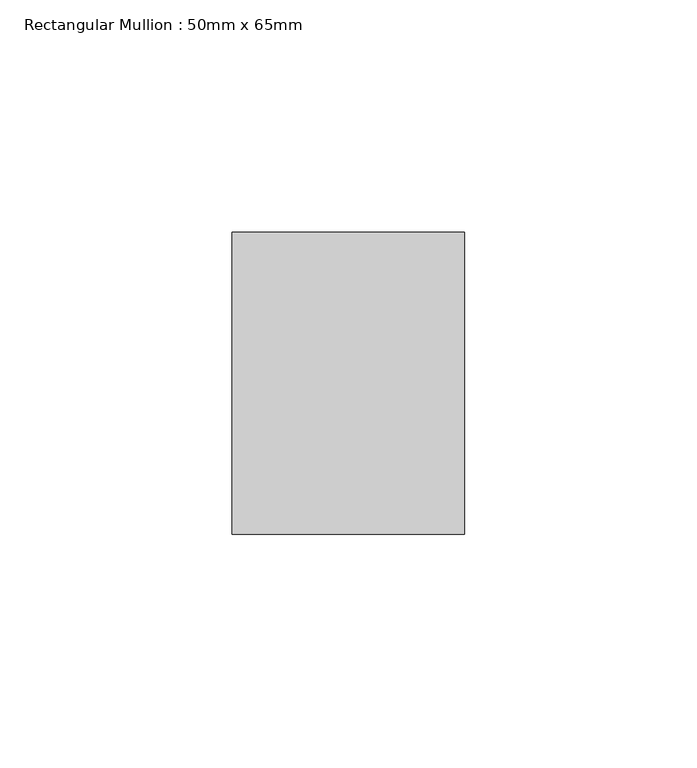
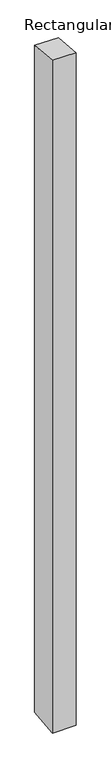
"""IFC4 building model written with IfcOpenShell, lengths in millimetres: member geometry, Rectangular Mullion : 50mm x 65mm."""

from ifc_helpers import new_model, si_unit, origin, place, context, project, spatial, faceted_brep, source, transform, mapped, element, save


def rectangular_mullion_50mm_x_65mm_e140d8bf(model_context):
    return source(origin(), model_context, "Body", "Brep", [
        faceted_brep([(-25.0, 32.5, -2.9911628), (25.0, 32.5, -2.991149), (25.0, 32.5, -1496.6283724), (-25.0, 32.5, -1496.6283568), (-25.0, -32.5, 2.991149), (-25.0, -32.5, -1503.3717202), (25.0, -32.5, 2.9911628), (25.0, -32.5, -1503.3717358)], [[[0, 1, 2, 3]], [[4, 0, 3, 5]], [[6, 4, 5, 7]], [[1, 6, 7, 2]], [[1, 0, 4, 6]], [[2, 7, 5, 3]]]),
    ])


if __name__ == "__main__":
    model = new_model("IFC4")
    model_context = context("Model", 3, world=origin())
    ifc_project = project(units=[si_unit("LENGTHUNIT", "METRE", prefix="MILLI")], contexts=[model_context])
    site = spatial("IfcSite", under=ifc_project)
    building = spatial("IfcBuilding", under=site)
    placement = place(None, origin())
    rectangular_mullion_50mm_x_65mm_shape = rectangular_mullion_50mm_x_65mm_e140d8bf(model_context)
    element("IfcMember", 1, ObjectType="Rectangular Mullion : 50mm x 65mm", at=placement, inside=building, context=model_context, shape_type="MappedRepresentation", body=[
        mapped(rectangular_mullion_50mm_x_65mm_shape, transform((0.0, 0.0, 0.0), x_axis=(1.0, 0.0, 0.0), y_axis=(0.0, 1.0, 0.0), z_axis=(0.0, 0.0, 1.0))),
    ])
    save(model, "model.ifc")
